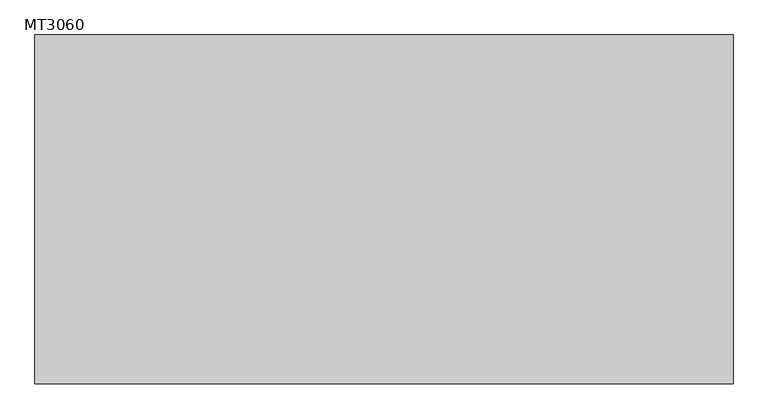
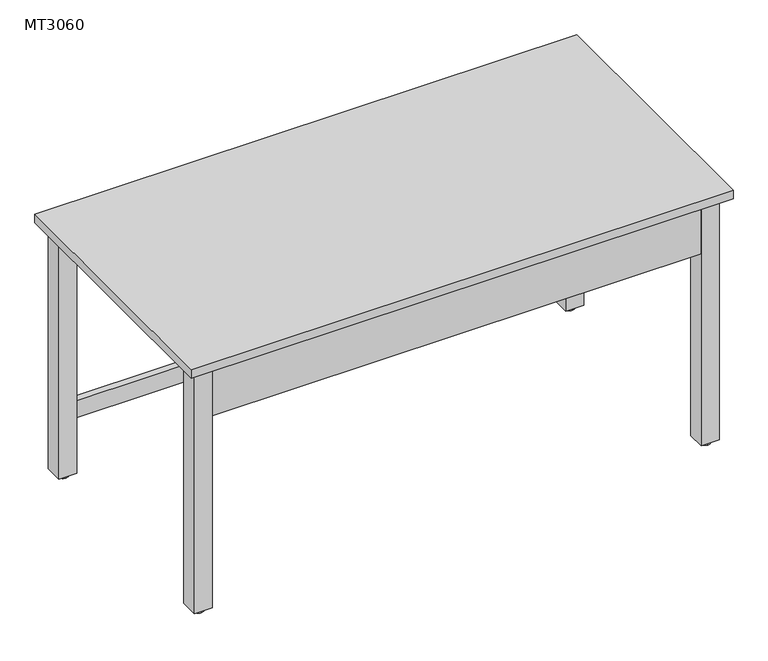
"""IFC4 building model written with IfcOpenShell, lengths in millimetres: furniture geometry, MT3060."""

from ifc_helpers import new_model, si_unit, point, frame, frame_2d, origin, place, context, project, spatial, polyline, circle_curve, trimmed, segment, composite_curve, outline, extrude, source, transform, mapped, element, save


def mt3060_b63a7b01(model_context):
    return source(origin(), model_context, "Body", "SweptSolid", [
        extrude(outline(polyline([(96.4705577, 127.0), (147.2705577, 127.0), (147.2705577, 76.2), (96.4705577, 76.2), (96.4705577, 127.0)])), frame((0.0, 0.0, 12.5070585), z_axis=(0.0, 0.0, 1.0), x_axis=(1.0, 0.0, 0.0)), (0.0, 0.0, 1.0), 724.0929415),
        extrude(outline(polyline([(-1278.1951479, 127.0), (-1278.1951479, 76.2), (-1328.9951479, 76.2), (-1328.9951479, 127.0), (-1278.1951479, 127.0)])), frame((0.0, 0.0, 12.5070585), z_axis=(0.0, 0.0, 1.0), x_axis=(1.0, 0.0, 0.0)), (0.0, 0.0, 1.0), 724.0929415),
        extrude(outline(polyline([(96.4705577, -584.2), (96.4705577, -533.4), (147.2705577, -533.4), (147.2705577, -584.2), (96.4705577, -584.2)])), frame((0.0, 0.0, 12.5070585), z_axis=(0.0, 0.0, 1.0), x_axis=(1.0, 0.0, 0.0)), (0.0, 0.0, 1.0), 724.0929415),
        extrude(outline(polyline([(-1278.1951479, -584.2), (-1328.9951479, -584.2), (-1328.9951479, -533.4), (-1278.1951479, -533.4), (-1278.1951479, -584.2)])), frame((0.0, 0.0, 12.5070585), z_axis=(0.0, 0.0, 1.0), x_axis=(1.0, 0.0, 0.0)), (0.0, 0.0, 1.0), 724.0929415),
        extrude(outline(polyline([(171.5758284, -609.6), (-1352.4241716, -609.6), (-1352.4241716, 152.4), (171.5758284, 152.4), (171.5758284, -609.6)])), frame((0.0, 0.0, 736.6), z_axis=(0.0, 0.0, 1.0), x_axis=(1.0, 0.0, 0.0)), (0.0, 0.0, 1.0), 25.4),
        extrude(outline(polyline([(96.4705577, 107.95), (-1278.1951479, 107.95), (-1278.1951479, 127.0), (96.4705577, 127.0), (96.4705577, 107.95)])), frame((0.0, 0.0, 685.8), z_axis=(0.0, 0.0, 1.0), x_axis=(1.0, 0.0, 0.0)), (0.0, 0.0, 1.0), 50.8),
        extrude(outline(polyline([(96.4705577, -584.2), (-1278.1951479, -584.2), (-1278.1951479, -565.15), (96.4705577, -565.15), (96.4705577, -584.2)])), frame((0.0, 0.0, 584.2), z_axis=(0.0, 0.0, 1.0), x_axis=(1.0, 0.0, 0.0)), (0.0, 0.0, 1.0), 152.4),
        extrude(outline(composite_curve([segment(trimmed(circle_curve(frame_2d((121.840625, -558.8)), 4.7625), [point((121.840625, -563.5625))], [point((121.840625, -554.0375))], False, "CARTESIAN"), True, "CONTINUOUS"), segment(trimmed(circle_curve(frame_2d((121.840625, -558.8)), 4.7625), [point((121.840625, -554.0375))], [point((121.840625, -563.5625))], False, "CARTESIAN"), True, "CONTINUOUS")], self_intersect=False)), frame((0.0, 0.0, 6.35), z_axis=(0.0, 0.0, 1.0), x_axis=(1.0, 0.0, 0.0)), (0.0, 0.0, 1.0), 6.1570585),
        extrude(outline(composite_curve([segment(trimmed(circle_curve(frame_2d((121.840625, -558.8)), 14.3383444), [point((121.840625, -573.1383444))], [point((121.840625, -544.4616556))], False, "CARTESIAN"), True, "CONTINUOUS"), segment(trimmed(circle_curve(frame_2d((121.840625, -558.8)), 14.3383444), [point((121.840625, -544.4616556))], [point((121.840625, -573.1383444))], False, "CARTESIAN"), True, "CONTINUOUS")], self_intersect=False)), frame((0.0, 0.0, -0.1929415), z_axis=(0.0, 0.0, 1.0), x_axis=(1.0, 0.0, 0.0)), (0.0, 0.0, 1.0), 6.5429415),
        extrude(outline(composite_curve([segment(trimmed(circle_curve(frame_2d((121.840625, 101.6)), 4.7625), [point((121.840625, 96.8375))], [point((121.840625, 106.3625))], False, "CARTESIAN"), True, "CONTINUOUS"), segment(trimmed(circle_curve(frame_2d((121.840625, 101.6)), 4.7625), [point((121.840625, 106.3625))], [point((121.840625, 96.8375))], False, "CARTESIAN"), True, "CONTINUOUS")], self_intersect=False)), frame((0.0, 0.0, 6.35), z_axis=(0.0, 0.0, 1.0), x_axis=(1.0, 0.0, 0.0)), (0.0, 0.0, 1.0), 6.1570585),
        extrude(outline(composite_curve([segment(trimmed(circle_curve(frame_2d((121.840625, 101.6)), 14.3383444), [point((121.840625, 87.2616556))], [point((121.840625, 115.9383444))], False, "CARTESIAN"), True, "CONTINUOUS"), segment(trimmed(circle_curve(frame_2d((121.840625, 101.6)), 14.3383444), [point((121.840625, 115.9383444))], [point((121.840625, 87.2616556))], False, "CARTESIAN"), True, "CONTINUOUS")], self_intersect=False)), frame((0.0, 0.0, -0.1929415), z_axis=(0.0, 0.0, 1.0), x_axis=(1.0, 0.0, 0.0)), (0.0, 0.0, 1.0), 6.5429415),
        extrude(outline(composite_curve([segment(trimmed(circle_curve(frame_2d((-1303.572857, 101.6)), 4.7625), [point((-1303.572857, 106.3625))], [point((-1303.572857, 96.8375))], False, "CARTESIAN"), True, "CONTINUOUS"), segment(trimmed(circle_curve(frame_2d((-1303.572857, 101.6)), 4.7625), [point((-1303.572857, 96.8375))], [point((-1303.572857, 106.3625))], False, "CARTESIAN"), True, "CONTINUOUS")], self_intersect=False)), frame((0.0, 0.0, 6.1570585), z_axis=(0.0, 0.0, 1.0), x_axis=(1.0, 0.0, 0.0)), (0.0, 0.0, 1.0), 6.35),
        extrude(outline(composite_curve([segment(trimmed(circle_curve(frame_2d((-1303.572857, 101.6)), 14.3383444), [point((-1303.572857, 115.9383444))], [point((-1303.572857, 87.2616556))], False, "CARTESIAN"), True, "CONTINUOUS"), segment(trimmed(circle_curve(frame_2d((-1303.572857, 101.6)), 14.3383444), [point((-1303.572857, 87.2616556))], [point((-1303.572857, 115.9383444))], False, "CARTESIAN"), True, "CONTINUOUS")], self_intersect=False)), frame((0.0, 0.0, -0.1929415), z_axis=(0.0, 0.0, 1.0), x_axis=(1.0, 0.0, 0.0)), (0.0, 0.0, 1.0), 6.35),
        extrude(outline(composite_curve([segment(trimmed(circle_curve(frame_2d((121.840625, 101.6)), 4.7625), [point((121.840625, 96.8375))], [point((121.840625, 106.3625))], False, "CARTESIAN"), True, "CONTINUOUS"), segment(trimmed(circle_curve(frame_2d((121.840625, 101.6)), 4.7625), [point((121.840625, 106.3625))], [point((121.840625, 96.8375))], False, "CARTESIAN"), True, "CONTINUOUS")], self_intersect=False)), frame((0.0, 0.0, 6.35), z_axis=(0.0, 0.0, 1.0), x_axis=(1.0, 0.0, 0.0)), (0.0, 0.0, 1.0), 6.1570585),
        extrude(outline(composite_curve([segment(trimmed(circle_curve(frame_2d((121.840625, 101.6)), 14.3383444), [point((121.840625, 87.2616556))], [point((121.840625, 115.9383444))], False, "CARTESIAN"), True, "CONTINUOUS"), segment(trimmed(circle_curve(frame_2d((121.840625, 101.6)), 14.3383444), [point((121.840625, 115.9383444))], [point((121.840625, 87.2616556))], False, "CARTESIAN"), True, "CONTINUOUS")], self_intersect=False)), frame((0.0, 0.0, -0.1929415), z_axis=(0.0, 0.0, 1.0), x_axis=(1.0, 0.0, 0.0)), (0.0, 0.0, 1.0), 6.5429415),
        extrude(outline(composite_curve([segment(trimmed(circle_curve(frame_2d((-1303.572857, 101.6)), 4.7625), [point((-1303.572857, 106.3625))], [point((-1303.572857, 96.8375))], False, "CARTESIAN"), True, "CONTINUOUS"), segment(trimmed(circle_curve(frame_2d((-1303.572857, 101.6)), 4.7625), [point((-1303.572857, 96.8375))], [point((-1303.572857, 106.3625))], False, "CARTESIAN"), True, "CONTINUOUS")], self_intersect=False)), frame((0.0, 0.0, 6.1570585), z_axis=(0.0, 0.0, 1.0), x_axis=(1.0, 0.0, 0.0)), (0.0, 0.0, 1.0), 6.35),
        extrude(outline(composite_curve([segment(trimmed(circle_curve(frame_2d((-1303.572857, 101.6)), 14.3383444), [point((-1303.572857, 115.9383444))], [point((-1303.572857, 87.2616556))], False, "CARTESIAN"), True, "CONTINUOUS"), segment(trimmed(circle_curve(frame_2d((-1303.572857, 101.6)), 14.3383444), [point((-1303.572857, 87.2616556))], [point((-1303.572857, 115.9383444))], False, "CARTESIAN"), True, "CONTINUOUS")], self_intersect=False)), frame((0.0, 0.0, -0.1929415), z_axis=(0.0, 0.0, 1.0), x_axis=(1.0, 0.0, 0.0)), (0.0, 0.0, 1.0), 6.35),
        extrude(outline(composite_curve([segment(trimmed(circle_curve(frame_2d((121.840625, -558.8)), 4.7625), [point((121.840625, -563.5625))], [point((121.840625, -554.0375))], False, "CARTESIAN"), True, "CONTINUOUS"), segment(trimmed(circle_curve(frame_2d((121.840625, -558.8)), 4.7625), [point((121.840625, -554.0375))], [point((121.840625, -563.5625))], False, "CARTESIAN"), True, "CONTINUOUS")], self_intersect=False)), frame((0.0, 0.0, 6.35), z_axis=(0.0, 0.0, 1.0), x_axis=(1.0, 0.0, 0.0)), (0.0, 0.0, 1.0), 6.1570585),
        extrude(outline(composite_curve([segment(trimmed(circle_curve(frame_2d((121.840625, -558.8)), 14.3383444), [point((121.840625, -573.1383444))], [point((121.840625, -544.4616556))], False, "CARTESIAN"), True, "CONTINUOUS"), segment(trimmed(circle_curve(frame_2d((121.840625, -558.8)), 14.3383444), [point((121.840625, -544.4616556))], [point((121.840625, -573.1383444))], False, "CARTESIAN"), True, "CONTINUOUS")], self_intersect=False)), frame((0.0, 0.0, -0.1929415), z_axis=(0.0, 0.0, 1.0), x_axis=(1.0, 0.0, 0.0)), (0.0, 0.0, 1.0), 6.5429415),
        extrude(outline(composite_curve([segment(trimmed(circle_curve(frame_2d((-1303.572857, -558.8)), 4.7625), [point((-1303.572857, -554.0375))], [point((-1303.572857, -563.5625))], False, "CARTESIAN"), True, "CONTINUOUS"), segment(trimmed(circle_curve(frame_2d((-1303.572857, -558.8)), 4.7625), [point((-1303.572857, -563.5625))], [point((-1303.572857, -554.0375))], False, "CARTESIAN"), True, "CONTINUOUS")], self_intersect=False)), frame((0.0, 0.0, 6.1570585), z_axis=(0.0, 0.0, 1.0), x_axis=(1.0, 0.0, 0.0)), (0.0, 0.0, 1.0), 6.35),
        extrude(outline(composite_curve([segment(trimmed(circle_curve(frame_2d((-1303.572857, -558.8)), 14.3383444), [point((-1303.572857, -544.4616556))], [point((-1303.572857, -573.1383444))], False, "CARTESIAN"), True, "CONTINUOUS"), segment(trimmed(circle_curve(frame_2d((-1303.572857, -558.8)), 14.3383444), [point((-1303.572857, -573.1383444))], [point((-1303.572857, -544.4616556))], False, "CARTESIAN"), True, "CONTINUOUS")], self_intersect=False)), frame((0.0, 0.0, -0.1929415), z_axis=(0.0, 0.0, 1.0), x_axis=(1.0, 0.0, 0.0)), (0.0, 0.0, 1.0), 6.35),
        extrude(outline(polyline([(96.4705577, 107.95), (-1278.1951479, 107.95), (-1278.1951479, 127.0), (96.4705577, 127.0), (96.4705577, 107.95)])), frame((0.0, 0.0, 152.4), z_axis=(0.0, 0.0, 1.0), x_axis=(1.0, 0.0, 0.0)), (0.0, 0.0, 1.0), 50.8),
    ])


if __name__ == "__main__":
    model = new_model("IFC4")
    model_context = context("Model", 3, world=origin())
    ifc_project = project(units=[si_unit("LENGTHUNIT", "METRE", prefix="MILLI")], contexts=[model_context])
    site = spatial("IfcSite", under=ifc_project)
    building = spatial("IfcBuilding", under=site)
    placement = place(None, origin())
    mt3060_shape = mt3060_b63a7b01(model_context)
    element("IfcFurniture", 1, ObjectType="MT3060", at=placement, inside=building, context=model_context, shape_type="MappedRepresentation", body=[
        mapped(mt3060_shape, transform((0.0, 0.0, 0.0), x_axis=(1.0, 0.0, 0.0), y_axis=(0.0, 1.0, 0.0), z_axis=(0.0, 0.0, 1.0))),
    ])
    save(model, "model.ifc")
